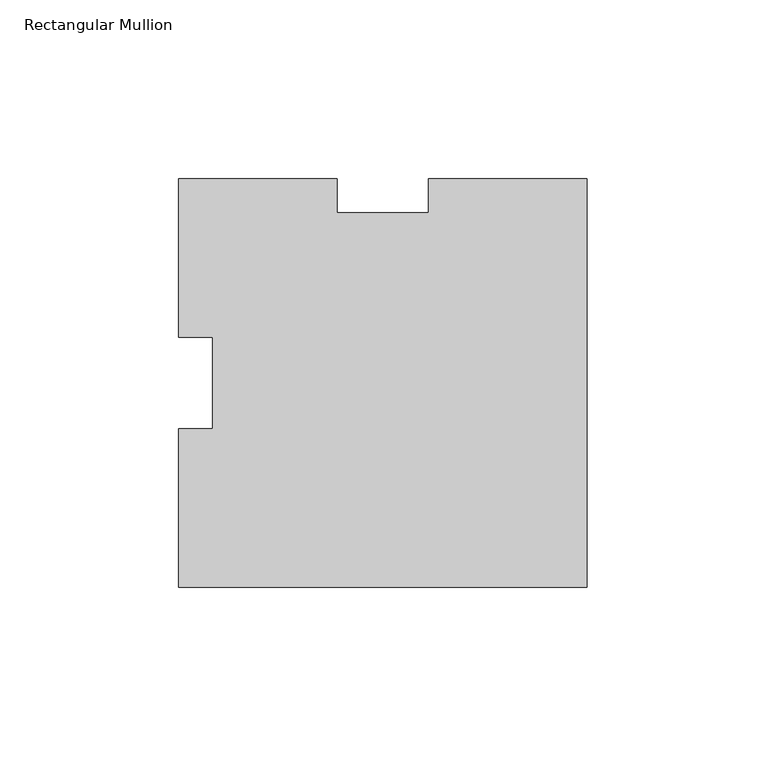
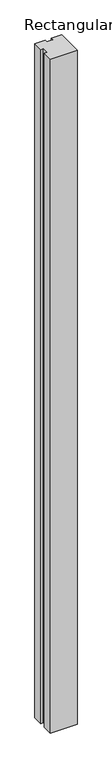
"""IFC4 building model written with IfcOpenShell, lengths in millimetres: member geometry, Rectangular Mullion."""

from ifc_helpers import new_model, si_unit, frame, origin, place, context, project, spatial, polyline, outline, extrude, source, transform, mapped, element, save


def rectangular_mullion_0cca9265(model_context):
    return source(origin(), model_context, "Body", "SweptSolid", [
        extrude(outline(polyline([(0.0, -56.9276436), (-114.3, -56.9276436), (-114.3, -12.5214928), (-104.775, -12.5214928), (-104.775, 12.9662056), (-114.3, 12.9662056), (-114.3, 57.3723564), (-69.8938492, 57.3723564), (-69.8938492, 47.8473564), (-44.4061508, 47.8473564), (-44.4061508, 57.3723564), (0.0, 57.3723564), (0.0, -56.9276436)])), frame((0.0, 0.0, -3048.0), z_axis=(0.0, 0.0, 1.0), x_axis=(1.0, 0.0, 0.0)), (0.0, 0.0, 1.0), 3048.0),
    ])


if __name__ == "__main__":
    model = new_model("IFC4")
    model_context = context("Model", 3, world=origin())
    ifc_project = project(units=[si_unit("LENGTHUNIT", "METRE", prefix="MILLI")], contexts=[model_context])
    site = spatial("IfcSite", under=ifc_project)
    building = spatial("IfcBuilding", under=site)
    placement = place(None, origin())
    rectangular_mullion_shape = rectangular_mullion_0cca9265(model_context)
    element("IfcMember", 1, ObjectType="Rectangular Mullion", at=placement, inside=building, context=model_context, shape_type="MappedRepresentation", body=[
        mapped(rectangular_mullion_shape, transform((0.0, 0.0, 0.0), x_axis=(1.0, 0.0, 0.0), y_axis=(0.0, 1.0, 0.0), z_axis=(0.0, 0.0, 1.0))),
    ])
    save(model, "model.ifc")
